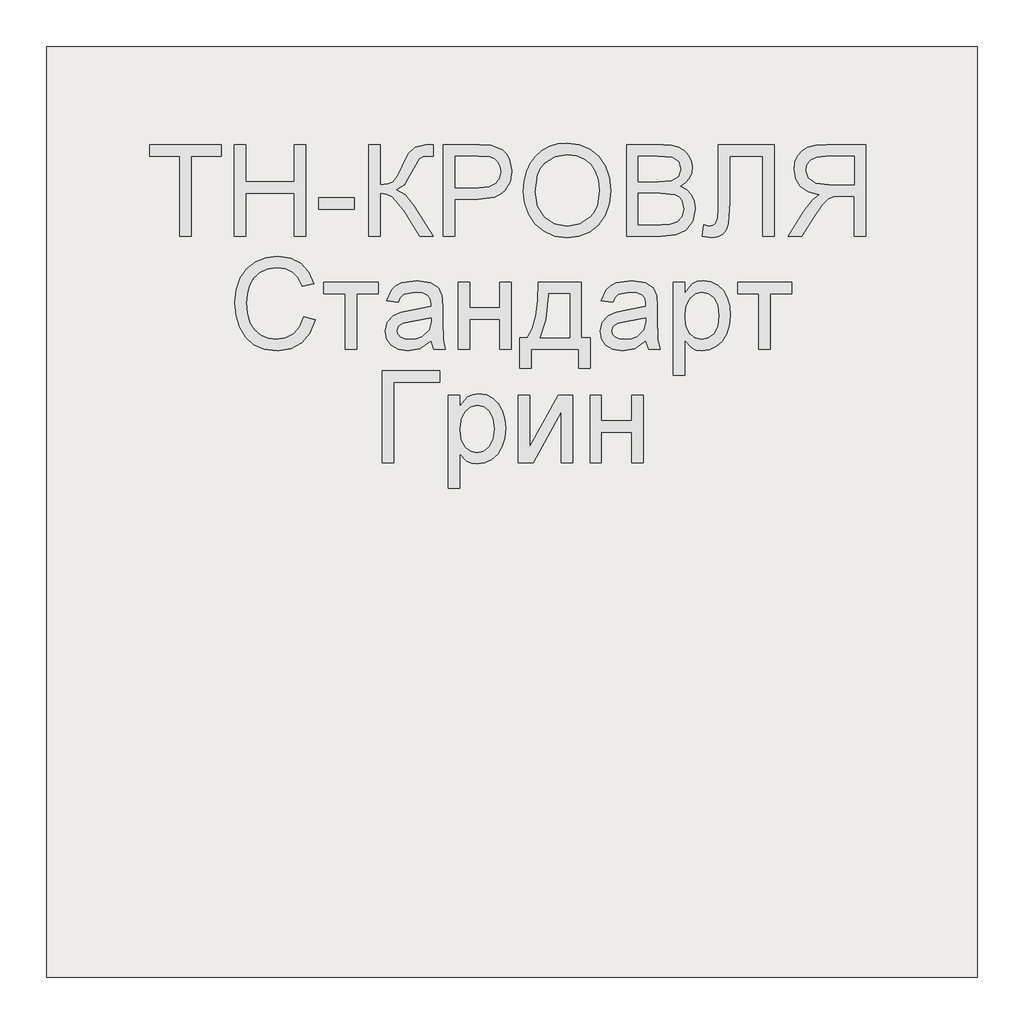
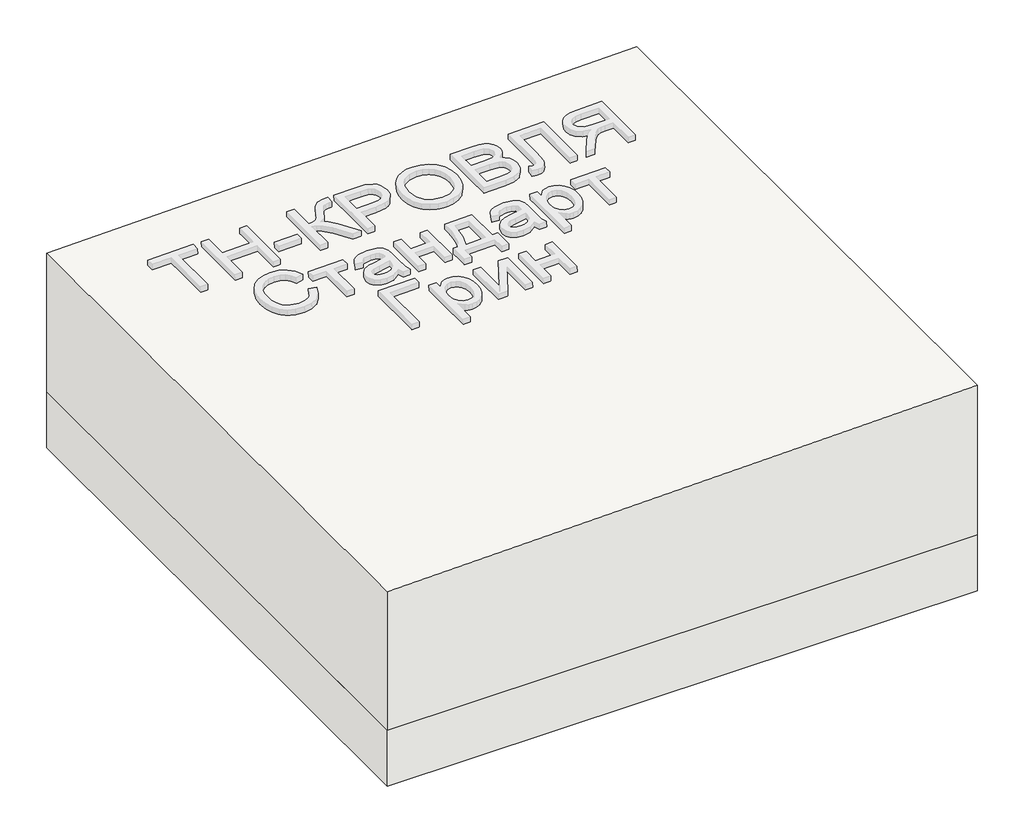
# One storey, part 1 of 3: 1 roof, 1 slab.
"""IFC4 building model written with IfcOpenShell, lengths in millimetres."""

from ifc_helpers import new_model, si_unit, frame, origin, place, context, project, spatial, polyline, outline, extrude, element, save

model = new_model("IFC4")

# Units and contexts
model_context = context("Model", 3, world=origin())
ifc_project = project(units=[si_unit("LENGTHUNIT", "METRE", prefix="MILLI")], contexts=[model_context])

# Site, building, storey
site = spatial("IfcSite", under=ifc_project)
building = spatial("IfcBuilding", under=site)
storey = spatial("IfcBuildingStorey", under=building, Elevation=0.0)

# Roof
placement = place(None, origin())
element("IfcRoof", 1, at=placement, inside=storey, context=model_context, shape_type="SweptSolid", body=[
    extrude(outline(polyline([(497.0, 60706.3955952), (0.0, 60706.3955952), (0.0, 62706.3955952), (537.0, 62706.3955952), (497.0, 60706.3955952)])), frame((0.0, -6302.6148653, 0.0), z_axis=(0.0, 1.0, 0.0), x_axis=(0.0, 0.0, 1.0)), (0.0, 0.0, 1.0), 2000.0),
])

# Slab
element("IfcSlab", 2, at=placement, inside=storey, context=model_context, shape_type="SweptSolid", body=[
    extrude(outline(polyline([(62706.3955952, -6302.6148653), (60706.3955952, -6302.6148653), (60706.3955952, -4302.6148653), (62706.3955952, -4302.6148653), (62706.3955952, -6302.6148653)])), frame((0.0, 0.0, -200.0), z_axis=(0.0, 0.0, 1.0), x_axis=(1.0, 0.0, 0.0)), (0.0, 0.0, 1.0), 200.0),
])

save(model, "model.ifc")
